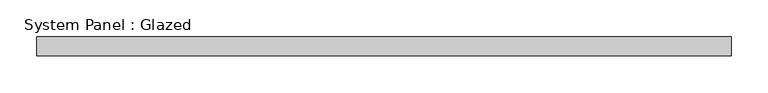
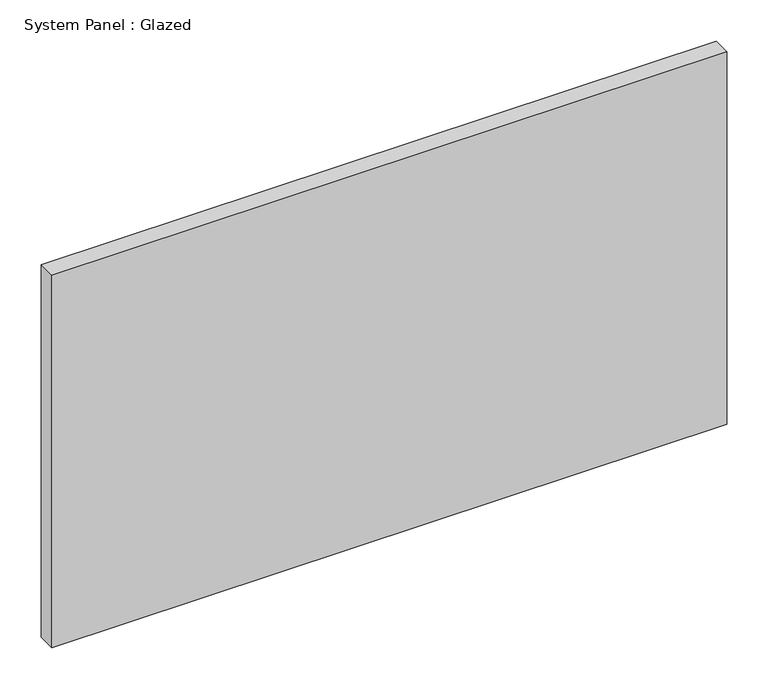
"""IFC4 building model written with IfcOpenShell, lengths in millimetres: plate geometry, System Panel : Glazed."""

from ifc_helpers import new_model, si_unit, origin, origin_with_axes, place, context, project, spatial, polyline, outline, extrude, source, transform, mapped, element, save


def system_panel_glazed_146dbdd3(model_context):
    return source(origin(), model_context, "Body", "SweptSolid", [
        extrude(outline(polyline([(469.9, -44.45), (-469.9, -44.45), (-469.9, -19.05), (469.9, -19.05), (469.9, -44.45)])), origin_with_axes(), (0.0, 0.0, 1.0), 548.2166667),
    ])


if __name__ == "__main__":
    model = new_model("IFC4")
    model_context = context("Model", 3, world=origin())
    ifc_project = project(units=[si_unit("LENGTHUNIT", "METRE", prefix="MILLI")], contexts=[model_context])
    site = spatial("IfcSite", under=ifc_project)
    building = spatial("IfcBuilding", under=site)
    placement = place(None, origin())
    system_panel_glazed_shape = system_panel_glazed_146dbdd3(model_context)
    element("IfcPlate", 1, ObjectType="System Panel : Glazed", at=placement, inside=building, context=model_context, shape_type="MappedRepresentation", body=[
        mapped(system_panel_glazed_shape, transform((0.0, 0.0, 0.0), x_axis=(1.0, 0.0, 0.0), y_axis=(0.0, 1.0, 0.0), z_axis=(0.0, 0.0, 1.0))),
    ])
    save(model, "model.ifc")
